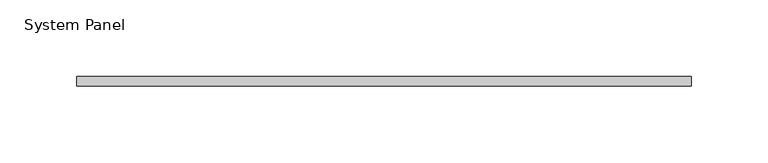
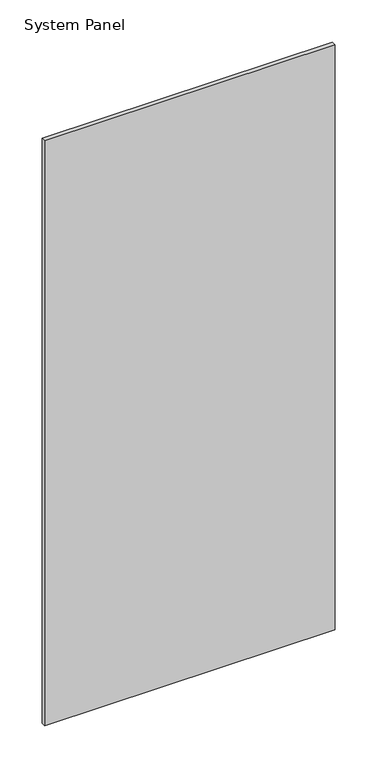
"""IFC4 building model written with IfcOpenShell, lengths in millimetres: plate geometry, System Panel."""

from ifc_helpers import new_model, si_unit, origin, origin_with_axes, place, context, project, spatial, polyline, outline, extrude, source, transform, mapped, element, save


def system_panel_8f9b9e4c(model_context):
    return source(origin(), model_context, "Body", "SweptSolid", [
        extrude(outline(polyline([(199.7522488, -3.0), (-199.7522488, -3.0), (-199.7522488, 3.0), (199.7522488, 3.0), (199.7522488, -3.0)])), origin_with_axes(), (0.0, 0.0, 1.0), 850.0),
    ])


if __name__ == "__main__":
    model = new_model("IFC4")
    model_context = context("Model", 3, world=origin())
    ifc_project = project(units=[si_unit("LENGTHUNIT", "METRE", prefix="MILLI")], contexts=[model_context])
    site = spatial("IfcSite", under=ifc_project)
    building = spatial("IfcBuilding", under=site)
    placement = place(None, origin())
    system_panel_shape = system_panel_8f9b9e4c(model_context)
    element("IfcPlate", 1, ObjectType="System Panel", at=placement, inside=building, context=model_context, shape_type="MappedRepresentation", body=[
        mapped(system_panel_shape, transform((0.0, 0.0, 0.0), x_axis=(1.0, 0.0, 0.0), y_axis=(0.0, 1.0, 0.0), z_axis=(0.0, 0.0, 1.0))),
    ])
    save(model, "model.ifc")
